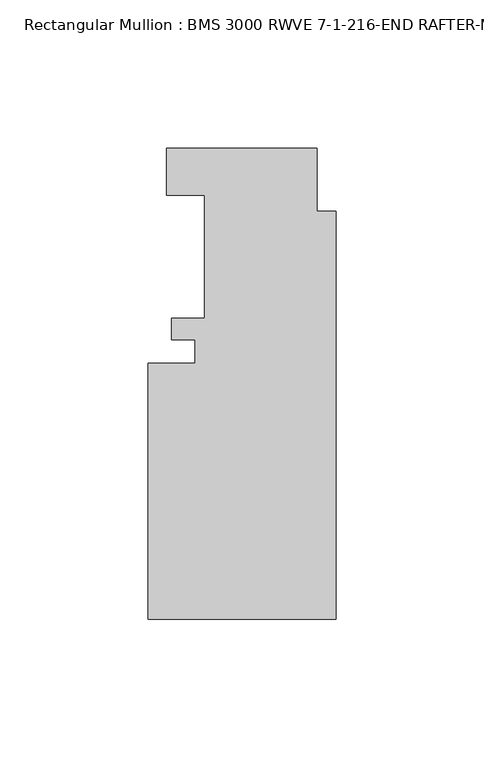
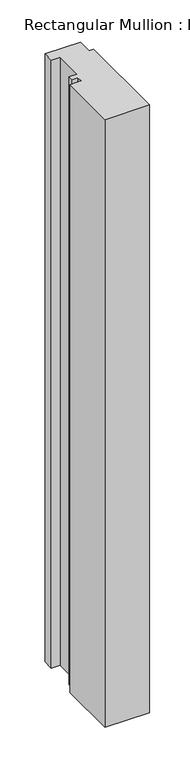
"""IFC4 building model written with IfcOpenShell, lengths in millimetres: member geometry, Rectangular Mullion : BMS 3000 RWVE 7-1-216-END RAFTER-MIR."""

from ifc_helpers import new_model, si_unit, frame, origin, place, context, project, spatial, polyline, outline, extrude, source, transform, mapped, element, save


def rectangular_mullion_bms_3000_rwve_7_1_216_end_rafter_mir_94e028c9(model_context):
    return source(origin(), model_context, "Body", "SweptSolid", [
        extrude(outline(polyline([(0.0, -15.1495125), (0.0, -152.9953125), (-63.5, -152.9953125), (-63.5, -66.4575125), (-47.625, -66.4575125), (-47.625, -58.5581125), (-55.5752, -58.5581125), (-55.5752, -51.3953125), (-44.45, -51.3953125), (-44.45, -9.7393125), (-57.15, -9.7393125), (-57.15, 6.1356875), (-6.35, 6.1356875), (-6.35, -15.1495125), (0.0, -15.1495125)])), frame((0.0, 0.0, -914.4), z_axis=(0.0, 0.0, 1.0), x_axis=(1.0, 0.0, 0.0)), (0.0, 0.0, 1.0), 914.4),
    ])


if __name__ == "__main__":
    model = new_model("IFC4")
    model_context = context("Model", 3, world=origin())
    ifc_project = project(units=[si_unit("LENGTHUNIT", "METRE", prefix="MILLI")], contexts=[model_context])
    site = spatial("IfcSite", under=ifc_project)
    building = spatial("IfcBuilding", under=site)
    placement = place(None, origin())
    rectangular_mullion_bms_3000_rwve_7_1_216_end_rafter_mir_shape = rectangular_mullion_bms_3000_rwve_7_1_216_end_rafter_mir_94e028c9(model_context)
    element("IfcMember", 1, ObjectType="Rectangular Mullion : BMS 3000 RWVE 7-1-216-END RAFTER-MIR", at=placement, inside=building, context=model_context, shape_type="MappedRepresentation", body=[
        mapped(rectangular_mullion_bms_3000_rwve_7_1_216_end_rafter_mir_shape, transform((0.0, 0.0, 0.0), x_axis=(1.0, 0.0, 0.0), y_axis=(0.0, 1.0, 0.0), z_axis=(0.0, 0.0, 1.0))),
    ])
    save(model, "model.ifc")
